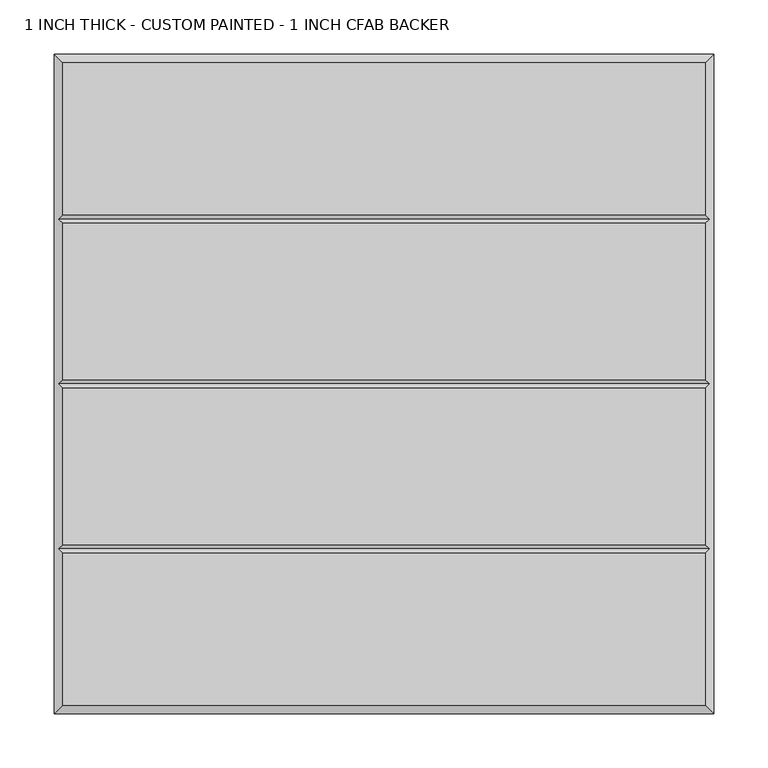
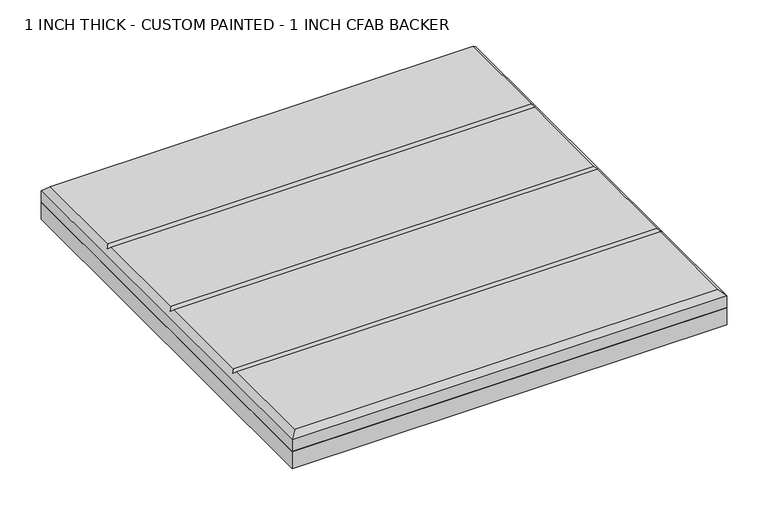
"""IFC4 building model written with IfcOpenShell, lengths in millimetres: proxy geometry, 1 INCH THICK - CUSTOM PAINTED - 1 INCH CFAB BACKER."""

from ifc_helpers import new_model, si_unit, frame, origin, place, context, project, spatial, polyline, outline, extrude, faceted_brep, source, transform, mapped, element, save


def proxy_1_inch_thick_custom_painted_1_inch_cfab_backer_b344deb2(model_context):
    return source(origin(), model_context, "Body", "SolidModel", [
        extrude(outline(polyline([(-304.8, 304.8), (304.8, 304.8), (304.8, -304.8), (-304.8, -304.8), (-304.8, 304.8)])), frame((0.0, 0.0, -25.4), z_axis=(0.0, 0.0, 1.0), x_axis=(1.0, 0.0, 0.0)), (0.0, 0.0, 1.0), 25.4),
        faceted_brep([(296.799, 296.799, 25.4), (-296.799, 296.799, 25.4), (-296.799, 156.4005254, 25.4), (296.799, 156.4005254, 25.4), (-296.799, -296.799, 25.4), (296.799, -296.799, 25.4), (296.799, -156.4004746, 25.4), (-296.799, -156.4004746, 25.4), (296.799, 148.3995254, 25.4), (-296.799, 148.3995254, 25.4), (-296.799, 4.0005, 25.4), (296.799, 4.0005, 25.4), (296.799, -4.0005, 25.4), (-296.799, -4.0005, 25.4), (-296.799, -148.3994746, 25.4), (296.799, -148.3994746, 25.4), (-304.8, 304.8, 0.0), (304.8, 304.8, 0.0), (304.8, -304.8, 0.0), (-304.8, -304.8, 0.0), (-304.8, -304.8, 17.399), (-304.8, 304.8, 17.399), (304.8, -304.8, 17.399), (304.8, 304.8, 17.399), (-300.7995, -152.3999746, 21.3995), (-300.7995, 0.0, 21.3995), (-300.7995, 152.4000254, 21.3995), (300.7995, 152.4000254, 21.3995), (300.7995, 0.0, 21.3995), (300.7995, -152.3999746, 21.3995)], [[[0, 1, 2, 3]], [[4, 5, 6, 7]], [[8, 9, 10, 11]], [[12, 13, 14, 15]], [[16, 17, 18, 19]], [[16, 19, 20, 21]], [[19, 18, 22, 20]], [[18, 17, 23, 22]], [[17, 16, 21, 23]], [[21, 1, 0, 23]], [[1, 21, 20, 4, 7, 24, 14, 13, 25, 10, 9, 26, 2]], [[4, 20, 22, 5]], [[23, 0, 3, 27, 8, 11, 28, 12, 15, 29, 6, 5, 22]], [[27, 26, 9, 8]], [[26, 27, 3, 2]], [[28, 25, 13, 12]], [[25, 28, 11, 10]], [[29, 24, 7, 6]], [[24, 29, 15, 14]]]),
    ])


if __name__ == "__main__":
    model = new_model("IFC4")
    model_context = context("Model", 3, world=origin())
    ifc_project = project(units=[si_unit("LENGTHUNIT", "METRE", prefix="MILLI")], contexts=[model_context])
    site = spatial("IfcSite", under=ifc_project)
    building = spatial("IfcBuilding", under=site)
    placement = place(None, origin())
    proxy_1_inch_thick_custom_painted_1_inch_cfab_backer_shape = proxy_1_inch_thick_custom_painted_1_inch_cfab_backer_b344deb2(model_context)
    element("IfcBuildingElementProxy", 1, Name="1 INCH THICK - CUSTOM PAINTED - 1 INCH CFAB BACKER", ObjectType="1 INCH THICK - CUSTOM PAINTED - 1 INCH CFAB BACKER", at=placement, inside=building, context=model_context, shape_type="MappedRepresentation", body=[
        mapped(proxy_1_inch_thick_custom_painted_1_inch_cfab_backer_shape, transform((0.0, 0.0, 0.0), x_axis=(1.0, 0.0, 0.0), y_axis=(0.0, 1.0, 0.0), z_axis=(0.0, 0.0, 1.0))),
    ])
    save(model, "model.ifc")
